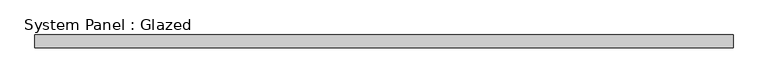
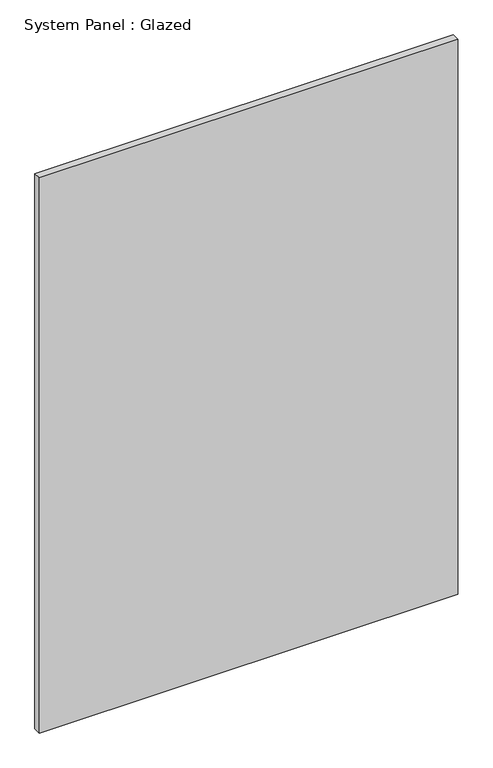
"""IFC4 building model written with IfcOpenShell, lengths in millimetres: plate geometry, System Panel : Glazed."""

from ifc_helpers import new_model, si_unit, origin, origin_with_axes, place, context, project, spatial, polyline, outline, extrude, source, transform, mapped, element, save


def system_panel_glazed_87114a22(model_context):
    return source(origin(), model_context, "Body", "SweptSolid", [
        extrude(outline(polyline([(677.5, 24.5), (-677.5, 24.5), (-677.5, 49.5), (677.5, 49.5), (677.5, 24.5)])), origin_with_axes(), (0.0, 0.0, 1.0), 1900.0),
    ])


if __name__ == "__main__":
    model = new_model("IFC4")
    model_context = context("Model", 3, world=origin())
    ifc_project = project(units=[si_unit("LENGTHUNIT", "METRE", prefix="MILLI")], contexts=[model_context])
    site = spatial("IfcSite", under=ifc_project)
    building = spatial("IfcBuilding", under=site)
    placement = place(None, origin())
    system_panel_glazed_shape = system_panel_glazed_87114a22(model_context)
    element("IfcPlate", 1, ObjectType="System Panel : Glazed", at=placement, inside=building, context=model_context, shape_type="MappedRepresentation", body=[
        mapped(system_panel_glazed_shape, transform((0.0, 0.0, 0.0), x_axis=(1.0, 0.0, 0.0), y_axis=(0.0, 1.0, 0.0), z_axis=(0.0, 0.0, 1.0))),
    ])
    save(model, "model.ifc")
